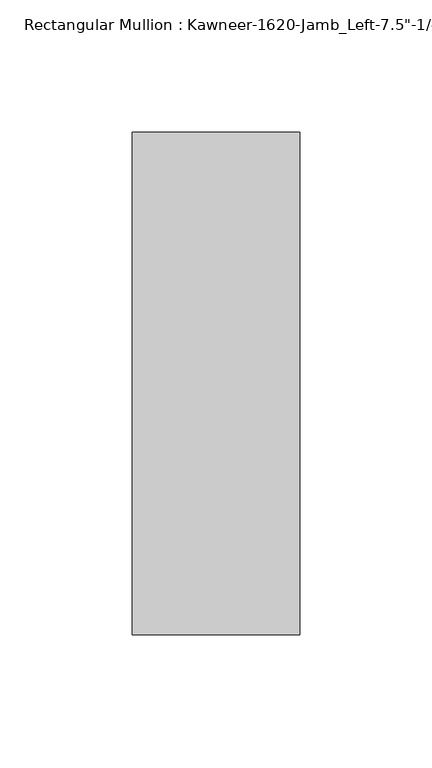
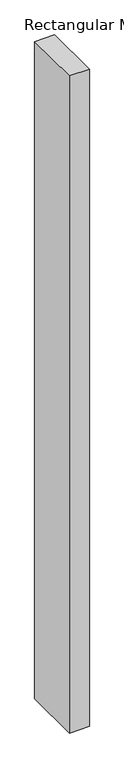
"""IFC4 building model written with IfcOpenShell, lengths in millimetres: member geometry."""

import ifcopenshell
import ifcopenshell.guid

model = None  # the IFC model being written
_history = None  # IfcOwnerHistory: only IFC2X3 demands one
_inside = {}  # id of a spatial element -> (the spatial element, [elements in it])
_under = {}  # id of a project, library or spatial element -> (it, [spatial elements below it])
_declared = {}  # id of a project -> (the project, [libraries it declares])
_typed = {}  # id of a type object -> (the type object, [elements of that type])
_made_of = {}  # id of a material, layer set ... -> (it, [elements and type objects made of it])


def new_model(schema):
    """Start an empty IFC model of exactly this schema.

    Asked for "IFC4X3", IfcOpenShell would pick the latest addendum, in which some entities
    have other attributes; the version numbers below select the first issue.
    IFC2X3 requires an IfcOwnerHistory on every rooted entity: one is made here for all.
    """
    global model, _history
    if schema == "IFC4X3":
        model = ifcopenshell.file(schema_version=(4, 3, 0, 0))
    else:
        model = ifcopenshell.file(schema=schema)
    _inside.clear()
    _under.clear()
    _declared.clear()
    _typed.clear()
    _made_of.clear()
    _history = None
    if model.schema == "IFC2X3":
        org = make("IfcOrganization", Name="unknown")
        user = make(
            "IfcPersonAndOrganization",
            ThePerson=make("IfcPerson", FamilyName="unknown"),
            TheOrganization=org,
        )
        app = make(
            "IfcApplication",
            ApplicationDeveloper=org,
            Version="unknown",
            ApplicationFullName="unknown",
            ApplicationIdentifier="unknown",
        )
        _history = make(
            "IfcOwnerHistory",
            OwningUser=user,
            OwningApplication=app,
            ChangeAction="ADDED",
            CreationDate=0,
        )
    return model


def make(cls, **values):
    """One entity of the class cls with the attributes given. An attribute that is None is left unset."""
    return model.create_entity(
        cls, **{name: value for name, value in values.items() if value is not None}
    )


def rooted(cls, **values):
    """An entity with a GlobalId (a new one), such as an element, a storey or a relation."""
    return make(cls, GlobalId=ifcopenshell.guid.new(), OwnerHistory=_history, **values)


def si_unit(unit_type, name, prefix=None):
    """IfcSIUnit, for example si_unit("LENGTHUNIT", "METRE", prefix="MILLI")."""
    return make("IfcSIUnit", UnitType=unit_type, Prefix=prefix, Name=name)


def assignment(units):
    """IfcUnitAssignment: the units of a project."""
    return None if units is None else make("IfcUnitAssignment", Units=units)


def point(xyz):
    """IfcCartesianPoint."""
    return None if xyz is None else make("IfcCartesianPoint", Coordinates=xyz)


def direction(xyz):
    """IfcDirection."""
    return None if xyz is None else make("IfcDirection", DirectionRatios=xyz)


def frame(location, z_axis=None, x_axis=None):
    """IfcAxis2Placement3D, a coordinate frame: its origin and axes. An axis left out is left unset."""
    return make(
        "IfcAxis2Placement3D",
        Location=point(location),
        Axis=direction(z_axis),
        RefDirection=direction(x_axis),
    )


def origin():
    """The frame at (0, 0, 0) with its axes left unset."""
    return frame((0.0, 0.0, 0.0))


def place(relative_to, where):
    """IfcLocalPlacement: puts the frame where relative to a parent placement (None: the world)."""
    return make(
        "IfcLocalPlacement", PlacementRelTo=relative_to, RelativePlacement=where
    )


def context(
    kind, dimensions, precision=None, world=None, true_north=None, identifier=None
):
    """IfcGeometricRepresentationContext, for example the 3D "Model" context."""
    return make(
        "IfcGeometricRepresentationContext",
        ContextIdentifier=identifier,
        ContextType=kind,
        CoordinateSpaceDimension=dimensions,
        Precision=precision,
        WorldCoordinateSystem=world,
        TrueNorth=true_north,
    )


def project(units=None, contexts=None):
    """IfcProject with its units and contexts."""
    return rooted(
        "IfcProject",
        Name="project",
        RepresentationContexts=contexts,
        UnitsInContext=assignment(units),
    )


def spatial(cls, under=None, at=None, **own):
    """A site, building, storey or space (cls), placed at a placement, below another one or the project."""
    s = rooted(cls, ObjectPlacement=at, **own)
    if under is not None:
        _under.setdefault(under.id(), (under, []))[1].append(s)
    return s


def polyline(points):
    """IfcPolyline through the points."""
    return make("IfcPolyline", Points=[point(p) for p in points])


def outline(outer, holes=None, kind="AREA"):
    """IfcArbitraryClosedProfileDef: a profile drawn as a closed curve; with holes, ...WithVoids."""
    if holes is None:
        return make("IfcArbitraryClosedProfileDef", ProfileType=kind, OuterCurve=outer)
    return make(
        "IfcArbitraryProfileDefWithVoids",
        ProfileType=kind,
        OuterCurve=outer,
        InnerCurves=holes,
    )


def extrude(swept, where, along, depth):
    """IfcExtrudedAreaSolid: the profile swept, set in the frame where, extruded along a direction by depth."""
    return make(
        "IfcExtrudedAreaSolid",
        SweptArea=swept,
        Position=where,
        ExtrudedDirection=direction(along),
        Depth=depth,
    )


def shape(context_of_items, identifier, shape_type, items):
    """IfcShapeRepresentation: the items that make up one representation, for example the "Body"."""
    return make(
        "IfcShapeRepresentation",
        ContextOfItems=context_of_items,
        RepresentationIdentifier=identifier,
        RepresentationType=shape_type,
        Items=items,
    )


def source(mapping_origin, context_of_items, identifier, shape_type, items):
    """IfcRepresentationMap: a shape defined once, which mapped items show again and again."""
    return make(
        "IfcRepresentationMap",
        MappingOrigin=mapping_origin,
        MappedRepresentation=shape(context_of_items, identifier, shape_type, items),
    )


def transform(
    local_origin,
    x_axis=None,
    y_axis=None,
    z_axis=None,
    scale=None,
    scale2=None,
    scale3=None,
    uniform=True,
):
    """IfcCartesianTransformationOperator3D, or its non-uniform kind. x_axis, y_axis, z_axis: its Axis1, 2, 3."""
    if uniform:
        return make(
            "IfcCartesianTransformationOperator3D",
            Axis1=direction(x_axis),
            Axis2=direction(y_axis),
            LocalOrigin=point(local_origin),
            Scale=scale,
            Axis3=direction(z_axis),
        )
    return make(
        "IfcCartesianTransformationOperator3DnonUniform",
        Axis1=direction(x_axis),
        Axis2=direction(y_axis),
        LocalOrigin=point(local_origin),
        Scale=scale,
        Axis3=direction(z_axis),
        Scale2=scale2,
        Scale3=scale3,
    )


def mapped(mapping_source, mapping_target):
    """IfcMappedItem: shows the shape of a source again, moved by a transform."""
    return make(
        "IfcMappedItem", MappingSource=mapping_source, MappingTarget=mapping_target
    )


def made_of(thing, what):
    """Note that an element or type object is made of a material, layer set ...; save() writes the relation."""
    if what is not None:
        _made_of.setdefault(what.id(), (what, []))[1].append(thing)
    return thing


def element(
    cls,
    number,
    at=None,
    inside=None,
    cuts=None,
    type_object=None,
    material=None,
    context=None,
    identifier="Body",
    shape_type=None,
    held_by="IfcProductDefinitionShape",
    body=None,
    shapes=None,
    **own,
):
    """One element of the class cls, such as IfcWall. Its Tag is "e" and its number.

    at: its placement. inside: the storey or other place that contains it. cuts: it is an
    opening in that element (IfcRelVoidsElement). A single representation is given by context,
    identifier, shape_type and body (its items); several are given by shapes. held_by: the class
    of the entity that holds the representations. save() writes the other relations.
    """
    e = rooted(cls, Tag="e%d" % number, ObjectPlacement=at, **own)
    if body is not None:
        shapes = [shape(context, identifier, shape_type, body)]
    if shapes is not None:
        e.Representation = make(held_by, Representations=shapes)
    if inside is not None:
        _inside.setdefault(inside.id(), (inside, []))[1].append(e)
    if cuts is not None:
        rooted(
            "IfcRelVoidsElement", RelatingBuildingElement=cuts, RelatedOpeningElement=e
        )
    if type_object is not None:
        _typed.setdefault(type_object.id(), (type_object, []))[1].append(e)
    return made_of(e, material)


def aggregate(whole, parts):
    """IfcRelAggregates: a whole, such as a stair, and the parts it consists of."""
    return rooted("IfcRelAggregates", RelatingObject=whole, RelatedObjects=parts)


def save(model, path):
    """Write the relations noted so far, then the file.

    IfcRelAggregates (storeys below a building ...), IfcRelContainedInSpatialStructure (elements
    in a storey), IfcRelDefinesByType, IfcRelAssociatesMaterial and IfcRelDeclares: one each for
    every whole, place, type object, material and project.
    """
    for whole, parts in _under.values():
        aggregate(whole, parts)
    for where, things in _inside.values():
        rooted(
            "IfcRelContainedInSpatialStructure",
            RelatedElements=things,
            RelatingStructure=where,
        )
    for kind, things in _typed.values():
        rooted("IfcRelDefinesByType", RelatedObjects=things, RelatingType=kind)
    for what, things in _made_of.values():
        rooted("IfcRelAssociatesMaterial", RelatedObjects=things, RelatingMaterial=what)
    for by, libraries in _declared.values():
        rooted("IfcRelDeclares", RelatingContext=by, RelatedDefinitions=libraries)
    model.write(path)


def member_fb5bf8a2(model_context):
    return source(origin(), model_context, "Body", "SweptSolid", [
        extrude(outline(polyline([(-63.5, 28.575), (0.0, 28.575), (0.0, -161.925), (-63.5, -161.925), (-63.5, 28.575)])), frame((0.0, 0.0, -2206.625), z_axis=(0.0, 0.0, 1.0), x_axis=(1.0, 0.0, 0.0)), (0.0, 0.0, 1.0), 2206.625),
    ])


if __name__ == "__main__":
    model = new_model("IFC4")
    model_context = context("Model", 3, world=origin())
    ifc_project = project(units=[si_unit("LENGTHUNIT", "METRE", prefix="MILLI")], contexts=[model_context])
    site = spatial("IfcSite", under=ifc_project)
    building = spatial("IfcBuilding", under=site)
    placement = place(None, origin())
    member_shape = member_fb5bf8a2(model_context)
    element("IfcMember", 1, ObjectType="Rectangular Mullion : Kawneer-1620-Jamb_Left-7.5\"-1/4\"Infill", at=placement, inside=building, context=model_context, shape_type="MappedRepresentation", body=[
        mapped(member_shape, transform((0.0, 0.0, 0.0), x_axis=(1.0, 0.0, 0.0), y_axis=(0.0, 1.0, 0.0), z_axis=(0.0, 0.0, 1.0))),
    ])
    save(model, "model.ifc")
